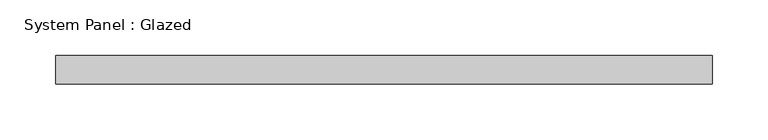
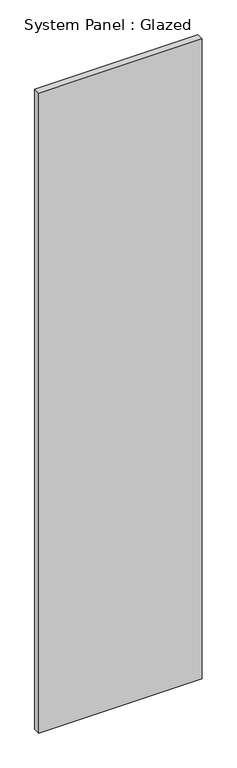
"""IFC4 building model written with IfcOpenShell, lengths in millimetres: plate geometry, System Panel : Glazed."""

from ifc_helpers import new_model, si_unit, origin, origin_with_axes, place, context, project, spatial, polyline, outline, extrude, source, transform, mapped, element, save


def system_panel_glazed_7da2bdcb(model_context):
    return source(origin(), model_context, "Body", "SweptSolid", [
        extrude(outline(polyline([(294.3756025, 19.05), (-294.3756025, 19.05), (-294.3756025, 44.45), (294.3756025, 44.45), (294.3756025, 19.05)])), origin_with_axes(), (0.0, 0.0, 1.0), 2438.4),
    ])


if __name__ == "__main__":
    model = new_model("IFC4")
    model_context = context("Model", 3, world=origin())
    ifc_project = project(units=[si_unit("LENGTHUNIT", "METRE", prefix="MILLI")], contexts=[model_context])
    site = spatial("IfcSite", under=ifc_project)
    building = spatial("IfcBuilding", under=site)
    placement = place(None, origin())
    system_panel_glazed_shape = system_panel_glazed_7da2bdcb(model_context)
    element("IfcPlate", 1, ObjectType="System Panel : Glazed", at=placement, inside=building, context=model_context, shape_type="MappedRepresentation", body=[
        mapped(system_panel_glazed_shape, transform((0.0, 0.0, 0.0), x_axis=(1.0, 0.0, 0.0), y_axis=(0.0, 1.0, 0.0), z_axis=(0.0, 0.0, 1.0))),
    ])
    save(model, "model.ifc")
